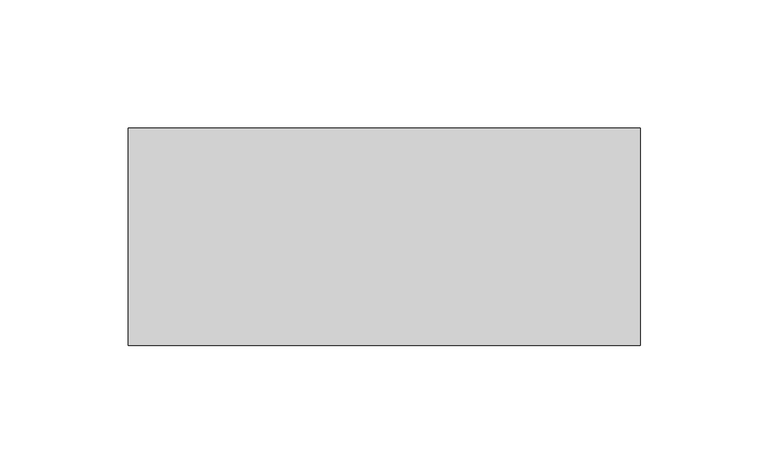
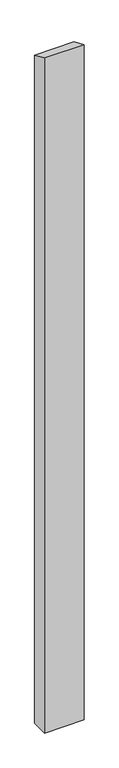
"""IFC4 building model written with IfcOpenShell, lengths in millimetres: column geometry."""

from ifc_helpers import new_model, si_unit, frame, origin, place, context, project, spatial, polyline, outline, extrude, source, transform, mapped, element, save


def column_9e2f4b1c(model_context):
    return source(origin(), model_context, "Body", "SweptSolid", [
        extrude(outline(polyline([(3559.2068086, 0.0), (3474.2068086, 0.0), (3474.2068086, 3607.4996308), (3559.2068086, 3569.6551925), (3559.2068086, 0.0)])), frame((-6685.8729589, 0.0, 0.0), z_axis=(1.0, 0.0, 0.0), x_axis=(0.0, 1.0, 0.0)), (0.0, 0.0, 1.0), 200.0),
    ])


if __name__ == "__main__":
    model = new_model("IFC4")
    model_context = context("Model", 3, world=origin())
    ifc_project = project(units=[si_unit("LENGTHUNIT", "METRE", prefix="MILLI")], contexts=[model_context])
    site = spatial("IfcSite", under=ifc_project)
    building = spatial("IfcBuilding", under=site)
    placement = place(None, origin())
    column_shape = column_9e2f4b1c(model_context)
    element("IfcColumn", 1, at=placement, inside=building, context=model_context, shape_type="MappedRepresentation", body=[
        mapped(column_shape, transform((0.0, 0.0, 0.0), x_axis=(1.0, 0.0, 0.0), y_axis=(0.0, 1.0, 0.0), z_axis=(0.0, 0.0, 1.0))),
    ])
    save(model, "model.ifc")
